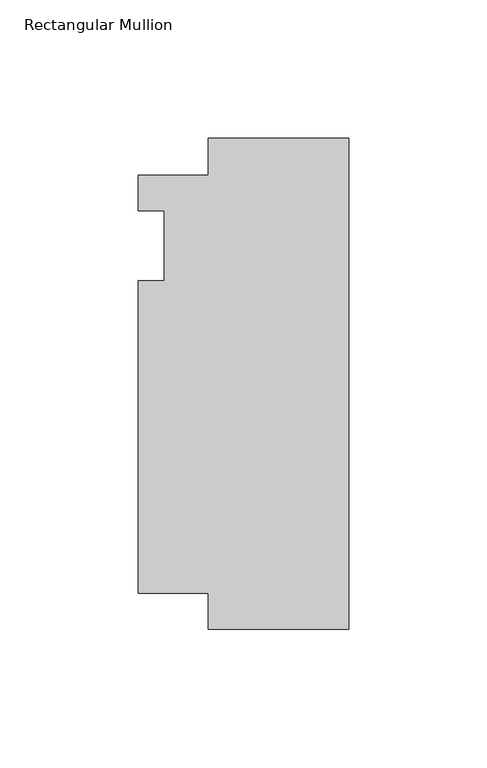
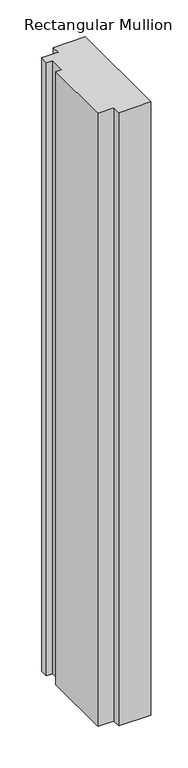
"""IFC4 building model written with IfcOpenShell, lengths in millimetres: member geometry, Rectangular Mullion."""

from ifc_helpers import new_model, si_unit, frame, origin, place, context, project, spatial, polyline, outline, extrude, source, transform, mapped, element, save


def rectangular_mullion_7cbf8df4(model_context):
    return source(origin(), model_context, "Body", "SweptSolid", [
        extrude(outline(polyline([(-76.2, 25.4508252), (-50.7746, 25.4508252), (-50.7746, 38.89375), (0.0, 38.89375), (0.0, -138.9073823), (-50.7746, -138.9073823), (-50.7746, -125.8533), (-76.2, -125.8533), (-76.2, -12.7), (-66.675, -12.7), (-66.675, 12.7), (-76.2, 12.7), (-76.2, 25.4508252)])), frame((0.0, 0.0, -1016.0), z_axis=(0.0, 0.0, 1.0), x_axis=(1.0, 0.0, 0.0)), (0.0, 0.0, 1.0), 1016.0),
    ])


if __name__ == "__main__":
    model = new_model("IFC4")
    model_context = context("Model", 3, world=origin())
    ifc_project = project(units=[si_unit("LENGTHUNIT", "METRE", prefix="MILLI")], contexts=[model_context])
    site = spatial("IfcSite", under=ifc_project)
    building = spatial("IfcBuilding", under=site)
    placement = place(None, origin())
    rectangular_mullion_shape = rectangular_mullion_7cbf8df4(model_context)
    element("IfcMember", 1, ObjectType="Rectangular Mullion", at=placement, inside=building, context=model_context, shape_type="MappedRepresentation", body=[
        mapped(rectangular_mullion_shape, transform((0.0, 0.0, 0.0), x_axis=(1.0, 0.0, 0.0), y_axis=(0.0, 1.0, 0.0), z_axis=(0.0, 0.0, 1.0))),
    ])
    save(model, "model.ifc")
